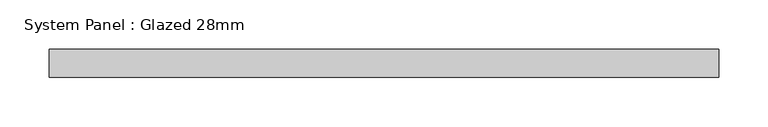
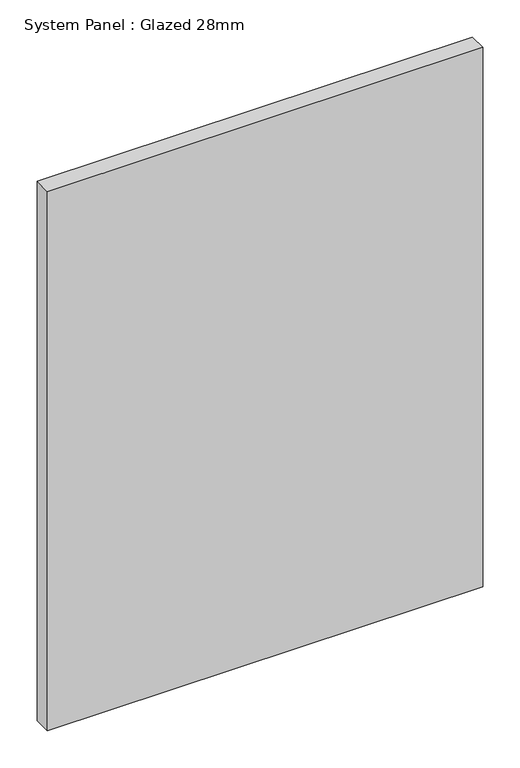
"""IFC4 building model written with IfcOpenShell, lengths in millimetres: plate geometry, System Panel : Glazed 28mm."""

from ifc_helpers import new_model, si_unit, origin, origin_with_axes, place, context, project, spatial, polyline, outline, extrude, source, transform, mapped, element, save


def system_panel_glazed_28mm_ab421a96(model_context):
    return source(origin(), model_context, "Body", "SweptSolid", [
        extrude(outline(polyline([(338.7808018, -14.0), (-338.7808018, -14.0), (-338.7808018, 14.0), (338.7808018, 14.0), (338.7808018, -14.0)])), origin_with_axes(), (0.0, 0.0, 1.0), 887.6851443),
    ])


if __name__ == "__main__":
    model = new_model("IFC4")
    model_context = context("Model", 3, world=origin())
    ifc_project = project(units=[si_unit("LENGTHUNIT", "METRE", prefix="MILLI")], contexts=[model_context])
    site = spatial("IfcSite", under=ifc_project)
    building = spatial("IfcBuilding", under=site)
    placement = place(None, origin())
    system_panel_glazed_28mm_shape = system_panel_glazed_28mm_ab421a96(model_context)
    element("IfcPlate", 1, ObjectType="System Panel : Glazed 28mm", at=placement, inside=building, context=model_context, shape_type="MappedRepresentation", body=[
        mapped(system_panel_glazed_28mm_shape, transform((0.0, 0.0, 0.0), x_axis=(1.0, 0.0, 0.0), y_axis=(0.0, 1.0, 0.0), z_axis=(0.0, 0.0, 1.0))),
    ])
    save(model, "model.ifc")
